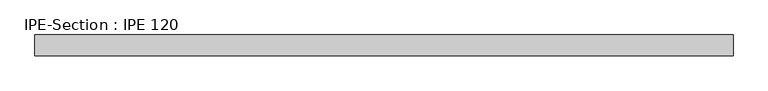
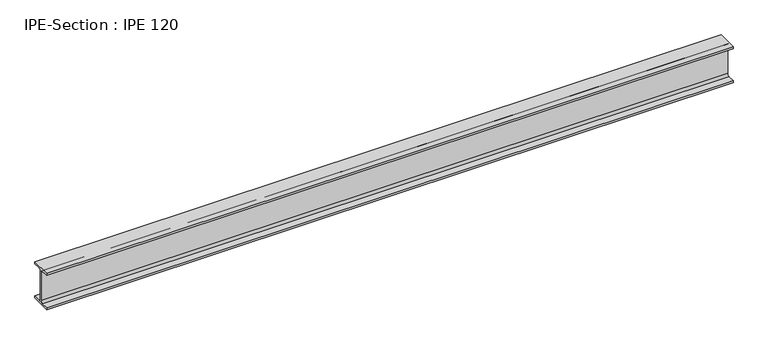
"""IFC4 building model written with IfcOpenShell, lengths in millimetres: beam geometry, IPE-Section : IPE 120."""

from ifc_helpers import new_model, si_unit, point, frame, frame_2d, origin, place, context, project, spatial, polyline, circle_curve, trimmed, segment, composite_curve, outline, extrude, source, transform, mapped, element, save


def ipe_section_ipe_120_81919dc7(model_context):
    return source(origin(), model_context, "Body", "SweptSolid", [
        extrude(outline(composite_curve([segment(polyline([(32.0, -53.7), (32.0, -60.0), (-32.0, -60.0), (-32.0, -53.7), (-9.2, -53.7)]), True, "CONTINUOUS"), segment(trimmed(circle_curve(frame_2d((-9.2, -46.7)), 7.0), [point((-9.2, -53.7))], [point((-2.2, -46.7))], True, "CARTESIAN"), True, "CONTINUOUS"), segment(polyline([(-2.2, -46.7), (-2.2, 46.7)]), True, "CONTINUOUS"), segment(trimmed(circle_curve(frame_2d((-9.2, 46.7)), 7.0), [point((-2.2, 46.7))], [point((-9.2, 53.7))], True, "CARTESIAN"), True, "CONTINUOUS"), segment(polyline([(-9.2, 53.7), (-32.0, 53.7), (-32.0, 60.0), (32.0, 60.0), (32.0, 53.7), (9.2, 53.7)]), True, "CONTINUOUS"), segment(trimmed(circle_curve(frame_2d((9.2, 46.7)), 7.0), [point((9.2, 53.7))], [point((2.2, 46.7))], True, "CARTESIAN"), True, "CONTINUOUS"), segment(polyline([(2.2, 46.7), (2.2, -46.7)]), True, "CONTINUOUS"), segment(trimmed(circle_curve(frame_2d((9.2, -46.7)), 7.0), [point((2.2, -46.7))], [point((9.2, -53.7))], True, "CARTESIAN"), True, "CONTINUOUS"), segment(polyline([(9.2, -53.7), (32.0, -53.7)]), True, "CONTINUOUS")], self_intersect=False)), frame((-1054.87123, 0.0, 0.0), z_axis=(1.0, 0.0, 0.0), x_axis=(0.0, 1.0, 0.0)), (0.0, 0.0, 1.0), 2153.1341803),
    ])


if __name__ == "__main__":
    model = new_model("IFC4")
    model_context = context("Model", 3, world=origin())
    ifc_project = project(units=[si_unit("LENGTHUNIT", "METRE", prefix="MILLI")], contexts=[model_context])
    site = spatial("IfcSite", under=ifc_project)
    building = spatial("IfcBuilding", under=site)
    placement = place(None, origin())
    ipe_section_ipe_120_shape = ipe_section_ipe_120_81919dc7(model_context)
    element("IfcBeam", 1, ObjectType="IPE-Section : IPE 120", at=placement, inside=building, context=model_context, shape_type="MappedRepresentation", body=[
        mapped(ipe_section_ipe_120_shape, transform((0.0, 0.0, 0.0), x_axis=(1.0, 0.0, 0.0), y_axis=(0.0, 1.0, 0.0), z_axis=(0.0, 0.0, 1.0))),
    ])
    save(model, "model.ifc")
